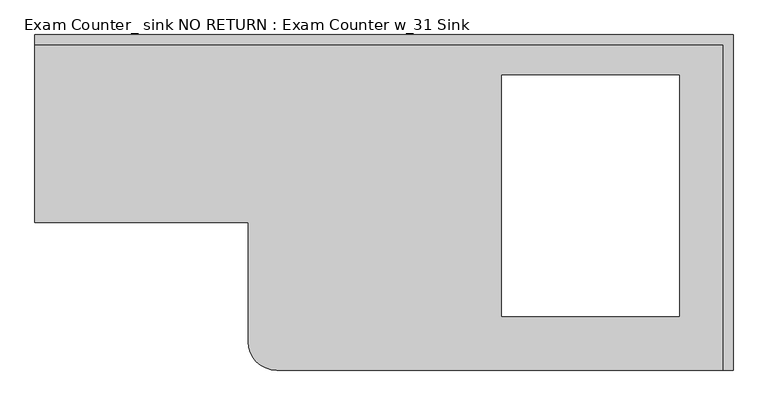
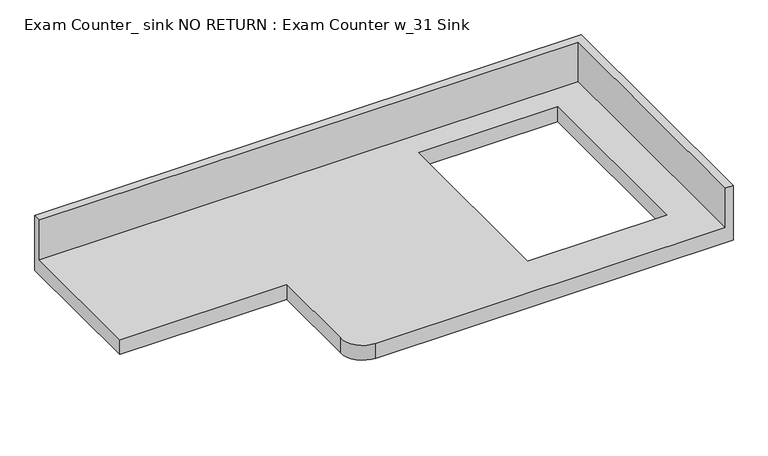
"""IFC4 building model written with IfcOpenShell, lengths in millimetres: furniture geometry, Exam Counter_ sink NO RETURN : Exam Counter w_31 Sink."""

from ifc_helpers import new_model, si_unit, frame, origin, place, context, project, spatial, circle_curve, source, transform, mapped, element, save
from ifc_brep_helpers import plane_surface, cylinder_surface, advanced_brep


def exam_counter_sink_no_return_exam_counter_w_31_sink_a98a6a13(model_context):
    return source(origin(), model_context, "Body", "AdvancedBrep", [
        advanced_brep(
        [(-863.6, -635.0, 863.6), (-19.05, -635.0, 863.6), (-19.05, -19.05, 863.6), (-1320.8, -19.05, 863.6), (-1320.8, -355.6, 863.6), (-917.575, -355.6, 863.6), (-917.575, -581.025, 863.6), (-101.6, -533.4, 863.6), (-437.3684137, -533.4, 863.6), (-437.3684137, -76.2, 863.6), (-101.6, -76.2, 863.6), (-1320.8, 0.0, 825.5), (0.0, 0.0, 825.5), (0.0, -635.0, 825.5), (-863.6, -635.0, 825.5), (-917.575, -581.025, 825.5), (-917.575, -355.6, 825.5), (-1320.8, -355.6, 825.5), (-101.6, -533.4, 825.5), (-101.6, -76.2, 825.5), (-437.3684137, -76.2, 825.5), (-437.3684137, -533.4, 825.5), (-1320.8, -19.05, 965.2), (-1320.8, 0.0, 965.2), (0.0, 0.0, 965.2), (0.0, -635.0, 965.2), (-19.05, -635.0, 965.2), (-19.05, -19.05, 965.2)],
        [
            (0, 1),
            (1, 2),
            (2, 3),
            (3, 4),
            (4, 5),
            (5, 6),
            (6, 0, circle_curve(frame((-863.6, -581.025, 863.6), z_axis=(0.0, 0.0, 1.0), x_axis=(-1.0, 0.0, 0.0)), 53.975)),
            (7, 8),
            (8, 9),
            (9, 10),
            (10, 7),
            (11, 12),
            (12, 13),
            (13, 14),
            (14, 15, circle_curve(frame((-863.6, -581.025, 825.5), z_axis=(0.0, 0.0, -1.0), x_axis=(-1.0, 0.0, 0.0)), 53.975)),
            (15, 16),
            (16, 17),
            (17, 11),
            (18, 19),
            (19, 20),
            (20, 21),
            (21, 18),
            (17, 4),
            (3, 22),
            (22, 23),
            (23, 11),
            (23, 24),
            (24, 12),
            (24, 25),
            (25, 13),
            (10, 19),
            (18, 7),
            (9, 20),
            (8, 21),
            (25, 26),
            (26, 1),
            (0, 14),
            (16, 5),
            (6, 15),
            (27, 26),
            (22, 27),
            (2, 27),
        ],
        [
            plane_surface(frame((-1320.8, 0.0, 863.6), z_axis=(0.0, 0.0, 1.0), x_axis=(1.0, 0.0, 0.0))),
            plane_surface(frame((-1320.8, 0.0, 825.5), z_axis=(0.0, 0.0, -1.0), x_axis=(-1.0, 0.0, 0.0))),
            plane_surface(frame((-1320.8, -355.6, 863.6), z_axis=(-1.0, 0.0, 0.0), x_axis=(0.0, 0.0, -1.0))),
            plane_surface(frame((-1320.8, 0.0, 863.6), z_axis=(0.0, 1.0, 0.0), x_axis=(0.0, 0.0, -1.0))),
            plane_surface(frame((0.0, 0.0, 863.6), z_axis=(1.0, 0.0, 0.0), x_axis=(0.0, 0.0, -1.0))),
            plane_surface(frame((-101.6, -533.4, 863.6), z_axis=(-1.0, 0.0, 0.0), x_axis=(0.0, 0.0, -1.0))),
            plane_surface(frame((-101.6, -76.2, 863.6), z_axis=(0.0, -1.0, 0.0), x_axis=(0.0, 0.0, -1.0))),
            plane_surface(frame((-437.3684137, -76.2, 863.6), z_axis=(1.0, 0.0, 0.0), x_axis=(0.0, 0.0, -1.0))),
            plane_surface(frame((-437.3684137, -533.4, 863.6), z_axis=(0.0, 1.0, 0.0), x_axis=(0.0, 0.0, -1.0))),
            plane_surface(frame((0.0, -635.0, 863.6), z_axis=(0.0, -1.0, 0.0), x_axis=(0.0, 0.0, -1.0))),
            plane_surface(frame((-917.575, -355.6, 863.6), z_axis=(0.0, -1.0, 0.0), x_axis=(0.0, 0.0, -1.0))),
            cylinder_surface(frame((-863.6, -581.025, 825.5), z_axis=(0.0, 0.0, 1.0), x_axis=(-1.0, 0.0, 0.0)), 53.975),
            plane_surface(frame((-917.575, -581.025, 863.6), z_axis=(-1.0, 0.0, 0.0), x_axis=(0.0, 0.0, -1.0))),
            plane_surface(frame((-1320.8, -19.05, 965.2), z_axis=(0.0, 0.0, 1.0), x_axis=(-1.0, 0.0, 0.0))),
            plane_surface(frame((-19.05, -19.05, 965.2), z_axis=(0.0, -1.0, 0.0), x_axis=(0.0, 0.0, -1.0))),
            plane_surface(frame((-19.05, -635.0, 965.2), z_axis=(-1.0, 0.0, 0.0), x_axis=(0.0, 0.0, -1.0))),
        ],
        [
            (0, [[1, 2, 3, 4, 5, 6, 7], [8, 9, 10, 11]]),
            (1, [[12, 13, 14, 15, 16, 17, 18], [19, 20, 21, 22]]),
            (2, [[23, -4, 24, 25, 26, -18]]),
            (3, [[27, 28, -12, -26]]),
            (4, [[29, 30, -13, -28]]),
            (5, [[31, -19, 32, -11]]),
            (6, [[33, -20, -31, -10]]),
            (7, [[34, -21, -33, -9]]),
            (8, [[-32, -22, -34, -8]]),
            (9, [[35, 36, -1, 37, -14, -30]]),
            (10, [[-23, -17, 38, -5]]),
            (11, [[39, -15, -37, -7]]),
            (12, [[-38, -16, -39, -6]]),
            (13, [[40, -35, -29, -27, -25, 41]]),
            (14, [[-24, -3, 42, -41]]),
            (15, [[-42, -2, -36, -40]]),
        ],
    ),
    ])


if __name__ == "__main__":
    model = new_model("IFC4")
    model_context = context("Model", 3, world=origin())
    ifc_project = project(units=[si_unit("LENGTHUNIT", "METRE", prefix="MILLI")], contexts=[model_context])
    site = spatial("IfcSite", under=ifc_project)
    building = spatial("IfcBuilding", under=site)
    placement = place(None, origin())
    exam_counter_sink_no_return_exam_counter_w_31_sink_shape = exam_counter_sink_no_return_exam_counter_w_31_sink_a98a6a13(model_context)
    element("IfcFurniture", 1, ObjectType="Exam Counter_ sink NO RETURN : Exam Counter w_31 Sink", at=placement, inside=building, context=model_context, shape_type="MappedRepresentation", body=[
        mapped(exam_counter_sink_no_return_exam_counter_w_31_sink_shape, transform((0.0, 0.0, 0.0), x_axis=(1.0, 0.0, 0.0), y_axis=(0.0, 1.0, 0.0), z_axis=(0.0, 0.0, 1.0))),
    ])
    save(model, "model.ifc")
